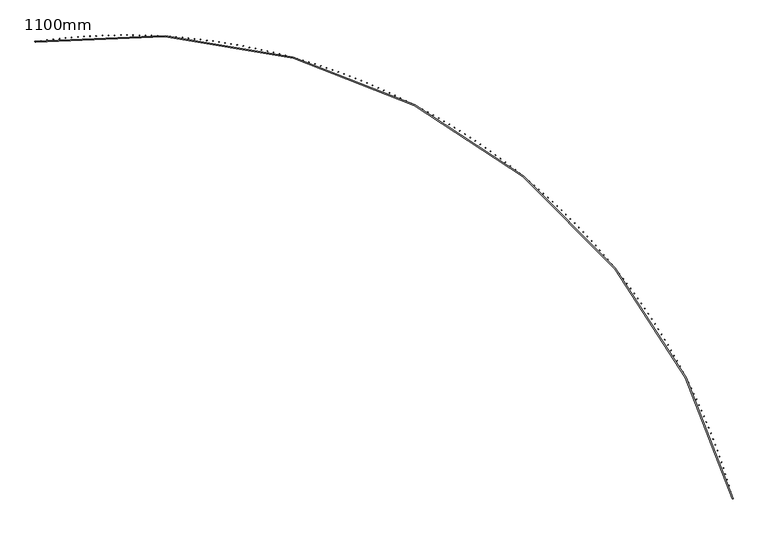
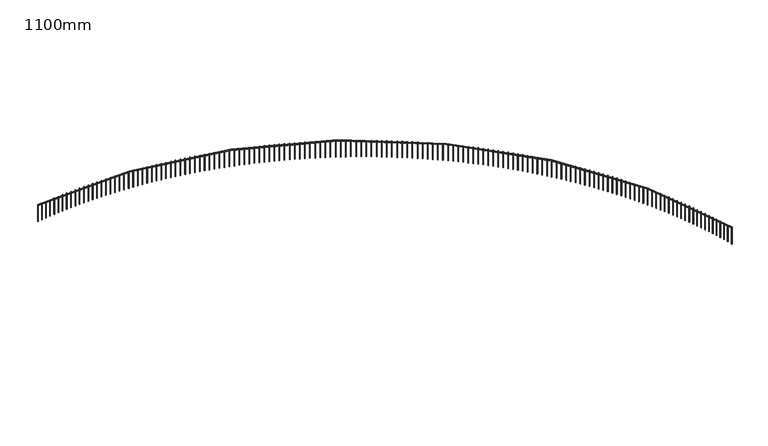
"""IFC4 building model written with IfcOpenShell, lengths in millimetres: railing geometry, 1100mm."""

from ifc_helpers import new_model, si_unit, point, frame, frame_2d, origin, place, context, project, spatial, polyline, circle_curve, trimmed, segment, composite_curve, outline, extrude, source, transform, mapped, element, save


def railing_1100mm_7d247d45(model_context):
    return source(origin(), model_context, "Body", "SweptSolid", [
        extrude(outline(composite_curve([segment(trimmed(circle_curve(frame_2d((-8794.2031957, -54023.2815566)), 28027.8933111), [point((18263.3200525, -46712.1093436))], [point((-12873.1716323, -26293.787873))], True, "CARTESIAN"), True, "CONTINUOUS"), segment(polyline([(-12873.1716323, -26293.787873), (-12880.4482557, -26244.3201992)]), True, "CONTINUOUS"), segment(trimmed(circle_curve(frame_2d((-8794.2031957, -54023.2815566)), 28077.8933111), [point((-12880.4482557, -26244.3201992))], [point((18311.5889733, -46699.0666719))], False, "CARTESIAN"), True, "CONTINUOUS"), segment(polyline([(18311.5889733, -46699.0666719), (18263.3200525, -46712.1093436)]), True, "CONTINUOUS")], self_intersect=False)), frame((0.0, 0.0, 19650.0), z_axis=(0.0, 0.0, 1.0), x_axis=(1.0, 0.0, 0.0)), (0.0, 0.0, 1.0), 50.0),
        extrude(outline(polyline([(18256.6030696, -46639.6717561), (18280.7237123, -46633.0994967), (18287.2959717, -46657.2201395), (18263.1753289, -46663.7923988), (18256.6030696, -46639.6717561)])), frame((0.0, 0.0, 18600.0), z_axis=(0.0, 0.0, 1.0), x_axis=(1.0, 0.0, 0.0)), (0.0, 0.0, 1.0), 1050.0),
        extrude(outline(polyline([(18182.9236225, -46374.8541414), (18206.97868, -46368.0457491), (18213.7870723, -46392.1008067), (18189.7320147, -46398.909199), (18182.9236225, -46374.8541414)])), frame((0.0, 0.0, 18600.0), z_axis=(0.0, 0.0, 1.0), x_axis=(1.0, 0.0, 0.0)), (0.0, 0.0, 1.0), 1050.0),
        extrude(outline(polyline([(18106.6517737, -46110.7715122), (18130.6389345, -46103.7276413), (18137.6828054, -46127.7148021), (18113.6956447, -46134.758673), (18106.6517737, -46110.7715122)])), frame((0.0, 0.0, 18600.0), z_axis=(0.0, 0.0, 1.0), x_axis=(1.0, 0.0, 0.0)), (0.0, 0.0, 1.0), 1050.0),
        extrude(outline(polyline([(18027.7948528, -45847.4492458), (18051.7118117, -45840.1705731), (18058.9904844, -45864.087532), (18035.0735255, -45871.3662047), (18027.7948528, -45847.4492458)])), frame((0.0, 0.0, 18600.0), z_axis=(0.0, 0.0, 1.0), x_axis=(1.0, 0.0, 0.0)), (0.0, 0.0, 1.0), 1050.0),
        extrude(outline(polyline([(17946.3604376, -45584.9126465), (17970.2048963, -45577.3998715), (17977.7176713, -45601.2443302), (17953.8732126, -45608.7571052), (17946.3604376, -45584.9126465)])), frame((0.0, 0.0, 18600.0), z_axis=(0.0, 0.0, 1.0), x_axis=(1.0, 0.0, 0.0)), (0.0, 0.0, 1.0), 1050.0),
        extrude(outline(polyline([(17862.3563536, -45323.1869431), (17886.1260207, -45315.4407877), (17893.8721762, -45339.2104549), (17870.102509, -45346.9566103), (17862.3563536, -45323.1869431)])), frame((0.0, 0.0, 18600.0), z_axis=(0.0, 0.0, 1.0), x_axis=(1.0, 0.0, 0.0)), (0.0, 0.0, 1.0), 1050.0),
        extrude(outline(polyline([(17775.7906733, -45062.2972865), (17799.4832647, -45054.3184951), (17807.4620561, -45078.0110865), (17783.7694647, -45085.9898779), (17775.7906733, -45062.2972865)])), frame((0.0, 0.0, 18600.0), z_axis=(0.0, 0.0, 1.0), x_axis=(1.0, 0.0, 0.0)), (0.0, 0.0, 1.0), 1050.0),
        extrude(outline(polyline([(17686.6717154, -44802.2687471), (17710.2849543, -44794.0580864), (17718.4956149, -44817.6713253), (17694.882376, -44825.881986), (17686.6717154, -44802.2687471)])), frame((0.0, 0.0, 18600.0), z_axis=(0.0, 0.0, 1.0), x_axis=(1.0, 0.0, 0.0)), (0.0, 0.0, 1.0), 1050.0),
        extrude(outline(polyline([(17595.0080438, -44543.1263128), (17618.539661, -44534.6845719), (17626.9814019, -44558.2161891), (17603.4497847, -44566.65793), (17595.0080438, -44543.1263128)])), frame((0.0, 0.0, 18600.0), z_axis=(0.0, 0.0, 1.0), x_axis=(1.0, 0.0, 0.0)), (0.0, 0.0, 1.0), 1050.0),
        extrude(outline(polyline([(17500.8084671, -44284.8948862), (17524.2562014, -44276.2228762), (17532.9282113, -44299.6706105), (17509.480477, -44308.3426205), (17500.8084671, -44284.8948862)])), frame((0.0, 0.0, 18600.0), z_axis=(0.0, 0.0, 1.0), x_axis=(1.0, 0.0, 0.0)), (0.0, 0.0, 1.0), 1050.0),
        extrude(outline(polyline([(17404.0820375, -44027.5992823), (17427.4436356, -44018.6978367), (17436.3450812, -44042.0594347), (17412.9834831, -44050.9608804), (17404.0820375, -44027.5992823)])), frame((0.0, 0.0, 18600.0), z_axis=(0.0, 0.0, 1.0), x_axis=(1.0, 0.0, 0.0)), (0.0, 0.0, 1.0), 1050.0),
        extrude(outline(polyline([(17304.8380501, -43771.2642263), (17328.111267, -43762.1342004), (17337.2412929, -43785.4074173), (17313.968076, -43794.5374433), (17304.8380501, -43771.2642263)])), frame((0.0, 0.0, 18600.0), z_axis=(0.0, 0.0, 1.0), x_axis=(1.0, 0.0, 0.0)), (0.0, 0.0, 1.0), 1050.0),
        extrude(outline(polyline([(17203.0860418, -43515.9143511), (17226.2686411, -43506.5566223), (17235.62637, -43529.7392216), (17212.4437706, -43539.0969505), (17203.0860418, -43515.9143511)])), frame((0.0, 0.0, 18600.0), z_axis=(0.0, 0.0, 1.0), x_axis=(1.0, 0.0, 0.0)), (0.0, 0.0, 1.0), 1050.0),
        extrude(outline(polyline([(17098.8357907, -43261.5741949), (17121.9255446, -43251.9896623), (17131.5100771, -43275.0794163), (17108.4203232, -43284.6639488), (17098.8357907, -43261.5741949)])), frame((0.0, 0.0, 18600.0), z_axis=(0.0, 0.0, 1.0), x_axis=(1.0, 0.0, 0.0)), (0.0, 0.0, 1.0), 1050.0),
        extrude(outline(polyline([(16992.0973147, -43008.2681987), (17015.0920044, -42998.4577835), (17024.9024196, -43021.4524732), (17001.9077299, -43031.2628884), (16992.0973147, -43008.2681987)])), frame((0.0, 0.0, 18600.0), z_axis=(0.0, 0.0, 1.0), x_axis=(1.0, 0.0, 0.0)), (0.0, 0.0, 1.0), 1050.0),
        extrude(outline(polyline([(16882.8808711, -42756.0207043), (16905.7782869, -42745.9853493), (16915.813642, -42768.882765), (16892.9162262, -42778.9181201), (16882.8808711, -42756.0207043)])), frame((0.0, 0.0, 18600.0), z_axis=(0.0, 0.0, 1.0), x_axis=(1.0, 0.0, 0.0)), (0.0, 0.0, 1.0), 1050.0),
        extrude(outline(polyline([(16771.1969552, -42504.8559519), (16793.9948967, -42494.5966213), (16804.2542273, -42517.3945627), (16781.4562858, -42527.6538934), (16771.1969552, -42504.8559519)])), frame((0.0, 0.0, 18600.0), z_axis=(0.0, 0.0, 1.0), x_axis=(1.0, 0.0, 0.0)), (0.0, 0.0, 1.0), 1050.0),
        extrude(outline(polyline([(16657.0562994, -42254.7980773), (16679.7525758, -42244.315757), (16690.234896, -42267.0120334), (16667.5386197, -42277.4943537), (16657.0562994, -42254.7980773)])), frame((0.0, 0.0, 18600.0), z_axis=(0.0, 0.0, 1.0), x_axis=(1.0, 0.0, 0.0)), (0.0, 0.0, 1.0), 1050.0),
        extrude(outline(polyline([(16540.4698721, -42005.8711103), (16563.0623024, -41995.1668076), (16573.766605, -42017.7592379), (16551.1741747, -42028.4635405), (16540.4698721, -42005.8711103)])), frame((0.0, 0.0, 18600.0), z_axis=(0.0, 0.0, 1.0), x_axis=(1.0, 0.0, 0.0)), (0.0, 0.0, 1.0), 1050.0),
        extrude(outline(polyline([(16421.4488769, -41758.0989717), (16443.93529, -41747.1737154), (16454.8605463, -41769.6601285), (16432.3741332, -41780.5853848), (16421.4488769, -41758.0989717)])), frame((0.0, 0.0, 18600.0), z_axis=(0.0, 0.0, 1.0), x_axis=(1.0, 0.0, 0.0)), (0.0, 0.0, 1.0), 1050.0),
        extrude(outline(polyline([(16300.0047513, -41511.5054716), (16322.3829864, -41500.3603114), (16333.5281465, -41522.7385465), (16311.1499114, -41533.8837067), (16300.0047513, -41511.5054716)])), frame((0.0, 0.0, 18600.0), z_axis=(0.0, 0.0, 1.0), x_axis=(1.0, 0.0, 0.0)), (0.0, 0.0, 1.0), 1050.0),
        extrude(outline(polyline([(16176.1491655, -41266.1143066), (16198.4170721, -41254.7503137), (16209.7810651, -41277.0182203), (16187.5131585, -41288.3822132), (16176.1491655, -41266.1143066)])), frame((0.0, 0.0, 18600.0), z_axis=(0.0, 0.0, 1.0), x_axis=(1.0, 0.0, 0.0)), (0.0, 0.0, 1.0), 1050.0),
        extrude(outline(polyline([(16049.8940217, -41021.949058), (16072.04946, -41010.3673243), (16083.6311937, -41032.5227625), (16061.4757555, -41044.1044963), (16049.8940217, -41021.949058)])), frame((0.0, 0.0, 18600.0), z_axis=(0.0, 0.0, 1.0), x_axis=(1.0, 0.0, 0.0)), (0.0, 0.0, 1.0), 1050.0),
        extrude(outline(polyline([(15921.2514526, -40779.0331892), (15943.2922934, -40767.2348276), (15955.090655, -40789.2756684), (15933.0498141, -40801.07403), (15921.2514526, -40779.0331892)])), frame((0.0, 0.0, 18600.0), z_axis=(0.0, 0.0, 1.0), x_axis=(1.0, 0.0, 0.0)), (0.0, 0.0, 1.0), 1050.0),
        extrude(outline(polyline([(15790.23382, -40537.3900434), (15812.1579454, -40525.3761878), (15824.171801, -40547.3003131), (15802.2476756, -40559.3141687), (15790.23382, -40537.3900434)])), frame((0.0, 0.0, 18600.0), z_axis=(0.0, 0.0, 1.0), x_axis=(1.0, 0.0, 0.0)), (0.0, 0.0, 1.0), 1050.0),
        extrude(outline(polyline([(15656.8537145, -40297.0428416), (15678.6590176, -40284.8146464), (15690.8872128, -40306.6199495), (15669.0819097, -40318.8481447), (15656.8537145, -40297.0428416)])), frame((0.0, 0.0, 18600.0), z_axis=(0.0, 0.0, 1.0), x_axis=(1.0, 0.0, 0.0)), (0.0, 0.0, 1.0), 1050.0),
        extrude(outline(polyline([(15521.1239533, -40058.0146803), (15542.8083387, -40045.5733207), (15555.2496983, -40067.2577061), (15533.5653129, -40079.6990658), (15521.1239533, -40058.0146803)])), frame((0.0, 0.0, 18600.0), z_axis=(0.0, 0.0, 1.0), x_axis=(1.0, 0.0, 0.0)), (0.0, 0.0, 1.0), 1050.0),
        extrude(outline(polyline([(15383.0575795, -39820.3285293), (15404.6189635, -39807.6752008), (15417.272292, -39829.2365847), (15395.710908, -39841.8899133), (15383.0575795, -39820.3285293)])), frame((0.0, 0.0, 18600.0), z_axis=(0.0, 0.0, 1.0), x_axis=(1.0, 0.0, 0.0)), (0.0, 0.0, 1.0), 1050.0),
        extrude(outline(polyline([(15242.6678609, -39584.0072293), (15264.1041713, -39571.1431478), (15276.9682528, -39592.5794583), (15255.5319423, -39605.4435398), (15242.6678609, -39584.0072293)])), frame((0.0, 0.0, 18600.0), z_axis=(0.0, 0.0, 1.0), x_axis=(1.0, 0.0, 0.0)), (0.0, 0.0, 1.0), 1050.0),
        extrude(outline(polyline([(15099.9682882, -39349.0734899), (15121.2774653, -39335.9998916), (15134.3510636, -39357.3090687), (15113.0418865, -39370.382667), (15099.9682882, -39349.0734899)])), frame((0.0, 0.0, 18600.0), z_axis=(0.0, 0.0, 1.0), x_axis=(1.0, 0.0, 0.0)), (0.0, 0.0, 1.0), 1050.0),
        extrude(outline(polyline([(14954.9725745, -39115.5498873), (14976.1525705, -39102.2680286), (14989.4344292, -39123.4480246), (14968.2544332, -39136.7298833), (14954.9725745, -39115.5498873)])), frame((0.0, 0.0, 18600.0), z_axis=(0.0, 0.0, 1.0), x_axis=(1.0, 0.0, 0.0)), (0.0, 0.0, 1.0), 1050.0),
        extrude(outline(polyline([(14807.6946533, -38883.4588623), (14828.7434328, -38869.9700195), (14842.2322756, -38891.0187991), (14821.1834961, -38904.5076419), (14807.6946533, -38883.4588623)])), frame((0.0, 0.0, 18600.0), z_axis=(0.0, 0.0, 1.0), x_axis=(1.0, 0.0, 0.0)), (0.0, 0.0, 1.0), 1050.0),
        extrude(outline(polyline([(14658.1486774, -38652.8227181), (14679.0642178, -38639.1281874), (14692.7587485, -38660.0437277), (14671.8432081, -38673.7382584), (14658.1486774, -38652.8227181)])), frame((0.0, 0.0, 18600.0), z_axis=(0.0, 0.0, 1.0), x_axis=(1.0, 0.0, 0.0)), (0.0, 0.0, 1.0), 1050.0),
        extrude(outline(polyline([(14506.3490177, -38423.6636177), (14527.129309, -38409.7647152), (14541.0282116, -38430.5450065), (14520.2479203, -38444.443909), (14506.3490177, -38423.6636177)])), frame((0.0, 0.0, 18600.0), z_axis=(0.0, 0.0, 1.0), x_axis=(1.0, 0.0, 0.0)), (0.0, 0.0, 1.0), 1050.0),
        extrude(outline(polyline([(14352.3102615, -38196.0035827), (14372.9533069, -38181.9016439), (14387.0552457, -38202.5446892), (14366.4122004, -38216.6466281), (14352.3102615, -38196.0035827)])), frame((0.0, 0.0, 18600.0), z_axis=(0.0, 0.0, 1.0), x_axis=(1.0, 0.0, 0.0)), (0.0, 0.0, 1.0), 1050.0),
        extrude(outline(polyline([(14196.0472114, -37969.8644903), (14216.5510271, -37955.5608703), (14230.854647, -37976.064686), (14210.3508314, -37990.3683059), (14196.0472114, -37969.8644903)])), frame((0.0, 0.0, 18600.0), z_axis=(0.0, 0.0, 1.0), x_axis=(1.0, 0.0, 0.0)), (0.0, 0.0, 1.0), 1050.0),
        extrude(outline(polyline([(14037.5748837, -37745.2680715), (14057.9374994, -37730.764145), (14072.4414259, -37751.1267606), (14052.0788103, -37765.6306872), (14037.5748837, -37745.2680715)])), frame((0.0, 0.0, 18600.0), z_axis=(0.0, 0.0, 1.0), x_axis=(1.0, 0.0, 0.0)), (0.0, 0.0, 1.0), 1050.0),
        extrude(outline(polyline([(13876.908507, -37522.2359094), (13897.1279659, -37507.5330701), (13911.8308052, -37527.7525289), (13891.6113464, -37542.4553682), (13876.908507, -37522.2359094)])), frame((0.0, 0.0, 18600.0), z_axis=(0.0, 0.0, 1.0), x_axis=(1.0, 0.0, 0.0)), (0.0, 0.0, 1.0), 1050.0),
        extrude(outline(polyline([(13714.0635208, -37300.7894364), (13734.1378798, -37285.8890972), (13749.038219, -37305.9634562), (13728.96386, -37320.8637954), (13714.0635208, -37300.7894364)])), frame((0.0, 0.0, 18600.0), z_axis=(0.0, 0.0, 1.0), x_axis=(1.0, 0.0, 0.0)), (0.0, 0.0, 1.0), 1050.0),
        extrude(outline(polyline([(13549.0555737, -37080.9499328), (13568.9829038, -37065.8535255), (13584.0793112, -37085.7808556), (13564.151981, -37100.8772629), (13549.0555737, -37080.9499328)])), frame((0.0, 0.0, 18600.0), z_axis=(0.0, 0.0, 1.0), x_axis=(1.0, 0.0, 0.0)), (0.0, 0.0, 1.0), 1050.0),
        extrude(outline(polyline([(13381.9005225, -36862.7385242), (13401.6789088, -36847.4474996), (13416.9699335, -36867.2258859), (13397.1915472, -36882.5169105), (13381.9005225, -36862.7385242)])), frame((0.0, 0.0, 18600.0), z_axis=(0.0, 0.0, 1.0), x_axis=(1.0, 0.0, 0.0)), (0.0, 0.0, 1.0), 1050.0),
        extrude(outline(polyline([(13212.6144302, -36646.1761801), (13232.2419721, -36630.6920075), (13247.7261447, -36650.3195493), (13228.0986029, -36665.8037219), (13212.6144302, -36646.1761801)])), frame((0.0, 0.0, 18600.0), z_axis=(0.0, 0.0, 1.0), x_axis=(1.0, 0.0, 0.0)), (0.0, 0.0, 1.0), 1050.0),
        extrude(outline(polyline([(13041.2135646, -36431.2837112), (13060.6883758, -36415.6078786), (13076.3642084, -36435.0826898), (13056.8893971, -36450.7585224), (13041.2135646, -36431.2837112)])), frame((0.0, 0.0, 18600.0), z_axis=(0.0, 0.0, 1.0), x_axis=(1.0, 0.0, 0.0)), (0.0, 0.0, 1.0), 1050.0),
        extrude(outline(polyline([(12867.7143965, -36218.0817679), (12887.0346057, -36202.2157817), (12902.9005918, -36221.5359909), (12883.5803827, -36237.4019771), (12867.7143965, -36218.0817679)])), frame((0.0, 0.0, 18600.0), z_axis=(0.0, 0.0, 1.0), x_axis=(1.0, 0.0, 0.0)), (0.0, 0.0, 1.0), 1050.0),
        extrude(outline(polyline([(12692.1335987, -36006.5908381), (12711.2973492, -35990.536223), (12727.3519643, -36009.6999735), (12708.1882137, -36025.7545886), (12692.1335987, -36006.5908381)])), frame((0.0, 0.0, 18600.0), z_axis=(0.0, 0.0, 1.0), x_axis=(1.0, 0.0, 0.0)), (0.0, 0.0, 1.0), 1050.0),
        extrude(outline(polyline([(12514.4880437, -35796.8312453), (12533.4934941, -35780.5895441), (12549.7351953, -35799.5949944), (12530.7297449, -35815.8366956), (12514.4880437, -35796.8312453)])), frame((0.0, 0.0, 18600.0), z_axis=(0.0, 0.0, 1.0), x_axis=(1.0, 0.0, 0.0)), (0.0, 0.0, 1.0), 1050.0),
        extrude(outline(polyline([(12334.7948028, -35588.8231466), (12353.6401265, -35572.3959201), (12370.0673531, -35591.2412438), (12351.2220293, -35607.6684704), (12334.7948028, -35588.8231466)])), frame((0.0, 0.0, 18600.0), z_axis=(0.0, 0.0, 1.0), x_axis=(1.0, 0.0, 0.0)), (0.0, 0.0, 1.0), 1050.0),
        extrude(outline(polyline([(12153.0711436, -35382.5865309), (12171.7545299, -35365.9753576), (12188.3657032, -35384.6587438), (12169.682317, -35401.2699171), (12153.0711436, -35382.5865309)])), frame((0.0, 0.0, 18600.0), z_axis=(0.0, 0.0, 1.0), x_axis=(1.0, 0.0, 0.0)), (0.0, 0.0, 1.0), 1050.0),
        extrude(outline(polyline([(11969.3345293, -35178.1412167), (11987.8541826, -35161.3476929), (12004.6477064, -35179.8673462), (11986.1280531, -35196.66087), (11969.3345293, -35178.1412167)])), frame((0.0, 0.0, 18600.0), z_axis=(0.0, 0.0, 1.0), x_axis=(1.0, 0.0, 0.0)), (0.0, 0.0, 1.0), 1050.0),
        extrude(outline(polyline([(11783.6026162, -34975.5068504), (11801.9567569, -34958.5325899), (11818.9310174, -34976.8867306), (11800.5768767, -34993.8609911), (11783.6026162, -34975.5068504)])), frame((0.0, 0.0, 18600.0), z_axis=(0.0, 0.0, 1.0), x_axis=(1.0, 0.0, 0.0)), (0.0, 0.0, 1.0), 1050.0),
        extrude(outline(polyline([(11595.8932524, -34774.7029045), (11614.0801167, -34757.5495385), (11631.2334827, -34775.7364028), (11613.0466184, -34792.8897688), (11595.8932524, -34774.7029045)])), frame((0.0, 0.0, 18600.0), z_axis=(0.0, 0.0, 1.0), x_axis=(1.0, 0.0, 0.0)), (0.0, 0.0, 1.0), 1050.0),
        extrude(outline(polyline([(11406.2244761, -34575.7486755), (11424.2423164, -34558.4178522), (11441.5731396, -34576.4356925), (11423.5552993, -34593.7665157), (11406.2244761, -34575.7486755)])), frame((0.0, 0.0, 18600.0), z_axis=(0.0, 0.0, 1.0), x_axis=(1.0, 0.0, 0.0)), (0.0, 0.0, 1.0), 1050.0),
        extrude(outline(polyline([(11214.6145138, -34378.663282), (11232.4615986, -34361.1566671), (11249.9682135, -34379.0037518), (11232.1211288, -34396.5103667), (11214.6145138, -34378.663282)])), frame((0.0, 0.0, 18600.0), z_axis=(0.0, 0.0, 1.0), x_axis=(1.0, 0.0, 0.0)), (0.0, 0.0, 1.0), 1050.0),
        extrude(outline(polyline([(11021.0817786, -34183.4656634), (11038.7563927, -34165.784939), (11056.4371171, -34183.4595532), (11038.7625029, -34201.1402776), (11021.0817786, -34183.4656634)])), frame((0.0, 0.0, 18600.0), z_axis=(0.0, 0.0, 1.0), x_axis=(1.0, 0.0, 0.0)), (0.0, 0.0, 1.0), 1050.0),
        extrude(outline(polyline([(10825.644868, -33990.1745773), (10843.1453132, -33972.3214426), (10860.9984479, -33989.8218878), (10843.4980027, -34007.6750225), (10825.644868, -33990.1745773)])), frame((0.0, 0.0, 18600.0), z_axis=(0.0, 0.0, 1.0), x_axis=(1.0, 0.0, 0.0)), (0.0, 0.0, 1.0), 1050.0),
        extrude(outline(polyline([(10628.322563, -33798.8085983), (10645.6471575, -33780.7847689), (10663.6709869, -33798.1093633), (10646.3463925, -33816.1331928), (10628.322563, -33798.8085983)])), frame((0.0, 0.0, 18600.0), z_axis=(0.0, 0.0, 1.0), x_axis=(1.0, 0.0, 0.0)), (0.0, 0.0, 1.0), 1050.0),
        extrude(outline(polyline([(10429.1338255, -33609.3861161), (10446.2809044, -33591.1933239), (10464.4736965, -33608.3404028), (10447.3266177, -33626.5331949), (10429.1338255, -33609.3861161)])), frame((0.0, 0.0, 18600.0), z_axis=(0.0, 0.0, 1.0), x_axis=(1.0, 0.0, 0.0)), (0.0, 0.0, 1.0), 1050.0),
        extrude(outline(polyline([(10228.0977967, -33421.9253333), (10245.0657123, -33403.5653266), (10263.4257189, -33420.5332422), (10246.4578034, -33438.8932488), (10228.0977967, -33421.9253333)])), frame((0.0, 0.0, 18600.0), z_axis=(0.0, 0.0, 1.0), x_axis=(1.0, 0.0, 0.0)), (0.0, 0.0, 1.0), 1050.0),
        extrude(outline(polyline([(10025.2337956, -33236.4442642), (10042.0209172, -33217.9188075), (10060.5463739, -33234.7059291), (10043.7592523, -33253.2313858), (10025.2337956, -33236.4442642)])), frame((0.0, 0.0, 18600.0), z_axis=(0.0, 0.0, 1.0), x_axis=(1.0, 0.0, 0.0)), (0.0, 0.0, 1.0), 1050.0),
        extrude(outline(polyline([(9820.5613164, -33052.960733), (9837.166031, -33034.2716063), (9855.8551576, -33050.8763209), (9839.2504431, -33069.5654475), (9820.5613164, -33052.960733)])), frame((0.0, 0.0, 18600.0), z_axis=(0.0, 0.0, 1.0), x_axis=(1.0, 0.0, 0.0)), (0.0, 0.0, 1.0), 1050.0),
        extrude(outline(polyline([(9614.1000276, -32871.4923716), (9630.5207394, -32852.641371), (9649.37174, -32869.0620829), (9632.9510282, -32887.9130834), (9614.1000276, -32871.4923716)])), frame((0.0, 0.0, 18600.0), z_axis=(0.0, 0.0, 1.0), x_axis=(1.0, 0.0, 0.0)), (0.0, 0.0, 1.0), 1050.0),
        extrude(outline(polyline([(9405.8697693, -32692.0566186), (9422.1049004, -32673.0455556), (9441.1159634, -32689.2806867), (9424.8808323, -32708.2917497), (9405.8697693, -32692.0566186)])), frame((0.0, 0.0, 18600.0), z_axis=(0.0, 0.0, 1.0), x_axis=(1.0, 0.0, 0.0)), (0.0, 0.0, 1.0), 1050.0),
        extrude(outline(polyline([(9195.8905516, -32514.670717), (9211.9385419, -32495.5014184), (9231.1078405, -32511.5494087), (9215.0598502, -32530.7187073), (9195.8905516, -32514.670717)])), frame((0.0, 0.0, 18600.0), z_axis=(0.0, 0.0, 1.0), x_axis=(1.0, 0.0, 0.0)), (0.0, 0.0, 1.0), 1050.0),
        extrude(outline(polyline([(8984.1825528, -32339.3517129), (9000.0418601, -32320.0260209), (9019.3675521, -32335.8853282), (9003.5082448, -32355.2110202), (8984.1825528, -32339.3517129)])), frame((0.0, 0.0, 18600.0), z_axis=(0.0, 0.0, 1.0), x_axis=(1.0, 0.0, 0.0)), (0.0, 0.0, 1.0), 1050.0),
        extrude(outline(polyline([(8770.7661172, -32166.1164539), (8786.4352175, -32146.6362256), (8805.9154458, -32162.3053259), (8790.2463455, -32181.7855542), (8770.7661172, -32166.1164539)])), frame((0.0, 0.0, 18600.0), z_axis=(0.0, 0.0, 1.0), x_axis=(1.0, 0.0, 0.0)), (0.0, 0.0, 1.0), 1050.0),
        extrude(outline(polyline([(8555.6617533, -31994.9815872), (8571.1391408, -31975.3486946), (8590.7720335, -31990.8260822), (8575.2946459, -32010.4589748), (8555.6617533, -31994.9815872)])), frame((0.0, 0.0, 18600.0), z_axis=(0.0, 0.0, 1.0), x_axis=(1.0, 0.0, 0.0)), (0.0, 0.0, 1.0), 1050.0),
        extrude(outline(polyline([(8338.8901319, -31825.9635583), (8354.1743194, -31806.179888), (8373.9579897, -31821.4640755), (8358.6738022, -31841.2477458), (8338.8901319, -31825.9635583)])), frame((0.0, 0.0, 18600.0), z_axis=(0.0, 0.0, 1.0), x_axis=(1.0, 0.0, 0.0)), (0.0, 0.0, 1.0), 1050.0),
        extrude(outline(polyline([(8120.4720839, -31659.0786091), (8135.5616026, -31639.1460622), (8155.4941494, -31654.2355809), (8140.4046308, -31674.1681278), (8120.4720839, -31659.0786091)])), frame((0.0, 0.0, 18600.0), z_axis=(0.0, 0.0, 1.0), x_axis=(1.0, 0.0, 0.0)), (0.0, 0.0, 1.0), 1050.0),
        extrude(outline(polyline([(7900.4285984, -31494.3427768), (7915.3219983, -31474.2632687), (7935.4015063, -31489.1566686), (7920.5081064, -31509.2361766), (7900.4285984, -31494.3427768)])), frame((0.0, 0.0, 18600.0), z_axis=(0.0, 0.0, 1.0), x_axis=(1.0, 0.0, 0.0)), (0.0, 0.0, 1.0), 1050.0),
        extrude(outline(polyline([(7678.780821, -31331.7718916), (7693.4766707, -31311.5473521), (7713.7012103, -31326.2432018), (7699.0053605, -31346.4677414), (7678.780821, -31331.7718916)])), frame((0.0, 0.0, 18600.0), z_axis=(0.0, 0.0, 1.0), x_axis=(1.0, 0.0, 0.0)), (0.0, 0.0, 1.0), 1050.0),
        extrude(outline(polyline([(7455.5500509, -31171.3815763), (7470.0469384, -31151.0139487), (7490.414566, -31165.5108361), (7475.9176785, -31185.8784637), (7455.5500509, -31171.3815763)])), frame((0.0, 0.0, 18600.0), z_axis=(0.0, 0.0, 1.0), x_axis=(1.0, 0.0, 0.0)), (0.0, 0.0, 1.0), 1050.0),
        extrude(outline(polyline([(7230.75774, -31013.1872435), (7245.0542721, -30992.6784852), (7265.5630305, -31006.9750172), (7251.2664984, -31027.4837756), (7230.75774, -31013.1872435)])), frame((0.0, 0.0, 18600.0), z_axis=(0.0, 0.0, 1.0), x_axis=(1.0, 0.0, 0.0)), (0.0, 0.0, 1.0), 1050.0),
        extrude(outline(polyline([(7004.4254899, -30857.2040953), (7018.5202928, -30836.556177), (7039.1682112, -30850.6509799), (7025.0734083, -30871.2988982), (7004.4254899, -30857.2040953)])), frame((0.0, 0.0, 18600.0), z_axis=(0.0, 0.0, 1.0), x_axis=(1.0, 0.0, 0.0)), (0.0, 0.0, 1.0), 1050.0),
        extrude(outline(polyline([(6776.5750504, -30703.4471211), (6790.4667695, -30682.6620269), (6811.2518637, -30696.5537461), (6797.3601445, -30717.3388403), (6776.5750504, -30703.4471211)])), frame((0.0, 0.0, 18600.0), z_axis=(0.0, 0.0, 1.0), x_axis=(1.0, 0.0, 0.0)), (0.0, 0.0, 1.0), 1050.0),
        extrude(outline(polyline([(6547.2283169, -30551.9310962), (6560.9156174, -30531.0108237), (6581.83589, -30544.6981243), (6568.1485894, -30565.6183968), (6547.2283169, -30551.9310962)])), frame((0.0, 0.0, 18600.0), z_axis=(0.0, 0.0, 1.0), x_axis=(1.0, 0.0, 0.0)), (0.0, 0.0, 1.0), 1050.0),
        extrude(outline(polyline([(6316.4073288, -30402.6705809), (6329.8888955, -30381.6171403), (6350.9423361, -30395.098707), (6337.4607694, -30416.1521476), (6316.4073288, -30402.6705809)])), frame((0.0, 0.0, 18600.0), z_axis=(0.0, 0.0, 1.0), x_axis=(1.0, 0.0, 0.0)), (0.0, 0.0, 1.0), 1050.0),
        extrude(outline(polyline([(6084.1342673, -30255.6799185), (6097.4088045, -30234.495333), (6118.59339, -30247.7698702), (6105.3188528, -30268.9544557), (6084.1342673, -30255.6799185)])), frame((0.0, 0.0, 18600.0), z_axis=(0.0, 0.0, 1.0), x_axis=(1.0, 0.0, 0.0)), (0.0, 0.0, 1.0), 1050.0),
        extrude(outline(polyline([(5850.4314528, -30110.9732343), (5863.4976849, -30089.6595397), (5884.8113795, -30102.7257718), (5871.7451474, -30124.0394664), (5850.4314528, -30110.9732343)])), frame((0.0, 0.0, 18600.0), z_axis=(0.0, 0.0, 1.0), x_axis=(1.0, 0.0, 0.0)), (0.0, 0.0, 1.0), 1050.0),
        extrude(outline(polyline([(5615.3213434, -29968.564434), (5628.1780148, -29947.1236785), (5649.6187704, -29959.9803499), (5636.762099, -29981.4211055), (5615.3213434, -29968.564434)])), frame((0.0, 0.0, 18600.0), z_axis=(0.0, 0.0, 1.0), x_axis=(1.0, 0.0, 0.0)), (0.0, 0.0, 1.0), 1050.0),
        extrude(outline(polyline([(5378.8265322, -29828.4672027), (5391.4724074, -29806.9014465), (5413.0381636, -29819.5473217), (5400.3922884, -29841.1130779), (5378.8265322, -29828.4672027)])), frame((0.0, 0.0, 18600.0), z_axis=(0.0, 0.0, 1.0), x_axis=(1.0, 0.0, 0.0)), (0.0, 0.0, 1.0), 1050.0),
        extrude(outline(polyline([(5140.9697455, -29690.695003), (5153.4036094, -29669.0063187), (5175.0922937, -29681.4401825), (5162.6584299, -29703.1288669), (5140.9697455, -29690.695003)])), frame((0.0, 0.0, 18600.0), z_axis=(0.0, 0.0, 1.0), x_axis=(1.0, 0.0, 0.0)), (0.0, 0.0, 1.0), 1050.0),
        extrude(outline(polyline([(4901.7738405, -29555.2610745), (4913.9944981, -29533.4515462), (4935.8040265, -29545.6722037), (4923.5833689, -29567.4817321), (4901.7738405, -29555.2610745)])), frame((0.0, 0.0, 18600.0), z_axis=(0.0, 0.0, 1.0), x_axis=(1.0, 0.0, 0.0)), (0.0, 0.0, 1.0), 1050.0),
        extrude(outline(polyline([(4661.2618031, -29422.1784318), (4673.2680801, -29400.2501553), (4695.1963566, -29412.2564322), (4683.1900797, -29434.1847088), (4661.2618031, -29422.1784318)])), frame((0.0, 0.0, 18600.0), z_axis=(0.0, 0.0, 1.0), x_axis=(1.0, 0.0, 0.0)), (0.0, 0.0, 1.0), 1050.0),
        extrude(outline(polyline([(4419.4567454, -29291.4598637), (4431.247488, -29269.4149462), (4453.2924056, -29281.2056888), (4441.501663, -29303.2506063), (4419.4567454, -29291.4598637)])), frame((0.0, 0.0, 18600.0), z_axis=(0.0, 0.0, 1.0), x_axis=(1.0, 0.0, 0.0)), (0.0, 0.0, 1.0), 1050.0),
        extrude(outline(polyline([(4176.3819042, -29163.1179317), (4187.9559794, -29140.9584917), (4210.1154194, -29152.5325669), (4198.5413443, -29174.6920069), (4176.3819042, -29163.1179317)])), frame((0.0, 0.0, 18600.0), z_axis=(0.0, 0.0, 1.0), x_axis=(1.0, 0.0, 0.0)), (0.0, 0.0, 1.0), 1050.0),
        extrude(outline(polyline([(3932.0606379, -29037.1649691), (3943.4169335, -29014.8931359), (3965.6887666, -29026.2494315), (3954.3324711, -29048.5212646), (3932.0606379, -29037.1649691)])), frame((0.0, 0.0, 18600.0), z_axis=(0.0, 0.0, 1.0), x_axis=(1.0, 0.0, 0.0)), (0.0, 0.0, 1.0), 1050.0),
        extrude(outline(polyline([(3686.516425, -28913.6130794), (3697.6538496, -28891.2309934), (3720.0359356, -28902.368418), (3708.898511, -28924.750504), (3686.516425, -28913.6130794)])), frame((0.0, 0.0, 18600.0), z_axis=(0.0, 0.0, 1.0), x_axis=(1.0, 0.0, 0.0)), (0.0, 0.0, 1.0), 1050.0),
        extrude(outline(polyline([(3439.7728613, -28792.4741354), (3450.6903448, -28769.9839474), (3473.1805327, -28780.9014309), (3462.2630493, -28803.3916188), (3439.7728613, -28792.4741354)])), frame((0.0, 0.0, 18600.0), z_axis=(0.0, 0.0, 1.0), x_axis=(1.0, 0.0, 0.0)), (0.0, 0.0, 1.0), 1050.0),
        extrude(outline(polyline([(3191.853658, -28673.7597783), (3202.5501511, -28651.1636495), (3225.1462799, -28661.8601426), (3214.4497868, -28684.4562714), (3191.853658, -28673.7597783)])), frame((0.0, 0.0, 18600.0), z_axis=(0.0, 0.0, 1.0), x_axis=(1.0, 0.0, 0.0)), (0.0, 0.0, 1.0), 1050.0),
        extrude(outline(polyline([(2942.7826392, -28557.481416), (2953.2571141, -28534.7815179), (2975.9570122, -28545.2559927), (2965.4825374, -28567.9558909), (2942.7826392, -28557.481416)])), frame((0.0, 0.0, 18600.0), z_axis=(0.0, 0.0, 1.0), x_axis=(1.0, 0.0, 0.0)), (0.0, 0.0, 1.0), 1050.0),
        extrude(outline(polyline([(2692.5837397, -28443.6502225), (2702.8351898, -28420.8487363), (2725.6366759, -28431.1001864), (2715.3852259, -28453.9016726), (2692.5837397, -28443.6502225)])), frame((0.0, 0.0, 18600.0), z_axis=(0.0, 0.0, 1.0), x_axis=(1.0, 0.0, 0.0)), (0.0, 0.0, 1.0), 1050.0),
        extrude(outline(polyline([(2441.2810026, -28332.2771364), (2451.3084428, -28309.3762534), (2474.2093258, -28319.4036936), (2464.1818857, -28342.3045766), (2441.2810026, -28332.2771364)])), frame((0.0, 0.0, 18600.0), z_axis=(0.0, 0.0, 1.0), x_axis=(1.0, 0.0, 0.0)), (0.0, 0.0, 1.0), 1050.0),
        extrude(outline(polyline([(2188.8985773, -28223.3728604), (2198.701044, -28200.3747812), (2221.6991232, -28210.1772478), (2211.8966565, -28233.1753271), (2188.8985773, -28223.3728604)])), frame((0.0, 0.0, 18600.0), z_axis=(0.0, 0.0, 1.0), x_axis=(1.0, 0.0, 0.0)), (0.0, 0.0, 1.0), 1050.0),
        extrude(outline(polyline([(1935.4607167, -28116.9478597), (1945.0372679, -28093.8547943), (1968.1303332, -28103.4313455), (1958.5537821, -28126.5244109), (1935.4607167, -28116.9478597)])), frame((0.0, 0.0, 18600.0), z_axis=(0.0, 0.0, 1.0), x_axis=(1.0, 0.0, 0.0)), (0.0, 0.0, 1.0), 1050.0),
        extrude(outline(polyline([(1680.9917753, -28013.0123614), (1690.3414907, -27989.826529), (1713.5273231, -27999.1762444), (1704.1776077, -28022.3620768), (1680.9917753, -28013.0123614)])), frame((0.0, 0.0, 18600.0), z_axis=(0.0, 0.0, 1.0), x_axis=(1.0, 0.0, 0.0)), (0.0, 0.0, 1.0), 1050.0),
        extrude(outline(polyline([(1425.5162066, -27911.5763533), (1434.6381878, -27888.299982), (1457.914559, -27897.4219632), (1448.7925779, -27920.6983344), (1425.5162066, -27911.5763533)])), frame((0.0, 0.0, 18600.0), z_axis=(0.0, 0.0, 1.0), x_axis=(1.0, 0.0, 0.0)), (0.0, 0.0, 1.0), 1050.0),
        extrude(outline(polyline([(1169.0585609, -27812.6495829), (1177.9519312, -27789.2849095), (1201.3166046, -27798.1782799), (1192.4232343, -27821.5429533), (1169.0585609, -27812.6495829)])), frame((0.0, 0.0, 18600.0), z_axis=(0.0, 0.0, 1.0), x_axis=(1.0, 0.0, 0.0)), (0.0, 0.0, 1.0), 1050.0),
        extrude(outline(polyline([(911.6434827, -27716.2415569), (920.3073876, -27692.7908266), (943.7581179, -27701.4547315), (935.094213, -27724.9054618), (911.6434827, -27716.2415569)])), frame((0.0, 0.0, 18600.0), z_axis=(0.0, 0.0, 1.0), x_axis=(1.0, 0.0, 0.0)), (0.0, 0.0, 1.0), 1050.0),
        extrude(outline(polyline([(653.2957087, -27622.3615397), (661.7293156, -27598.827006), (685.2638493, -27607.2606129), (676.8302424, -27630.7951466), (653.2957087, -27622.3615397)])), frame((0.0, 0.0, 18600.0), z_axis=(0.0, 0.0, 1.0), x_axis=(1.0, 0.0, 0.0)), (0.0, 0.0, 1.0), 1050.0),
        extrude(outline(polyline([(394.0400652, -27531.0185527), (402.2425637, -27507.4024773), (425.8586391, -27515.6049757), (417.6561407, -27539.2210512), (394.0400652, -27531.0185527)])), frame((0.0, 0.0, 18600.0), z_axis=(0.0, 0.0, 1.0), x_axis=(1.0, 0.0, 0.0)), (0.0, 0.0, 1.0), 1050.0),
        extrude(outline(polyline([(133.9014657, -27442.2213738), (141.8720675, -27418.526026), (165.5674153, -27426.4966277), (157.5968135, -27450.1919755), (133.9014657, -27442.2213738)])), frame((0.0, 0.0, 18600.0), z_axis=(0.0, 0.0, 1.0), x_axis=(1.0, 0.0, 0.0)), (0.0, 0.0, 1.0), 1050.0),
        extrude(outline(polyline([(-127.0950915, -27355.9785359), (-119.3571524, -27332.2061928), (-95.5848092, -27339.9441319), (-103.3227484, -27363.716475), (-127.0950915, -27355.9785359)])), frame((0.0, 0.0, 18600.0), z_axis=(0.0, 0.0, 1.0), x_axis=(1.0, 0.0, 0.0)), (0.0, 0.0, 1.0), 1050.0),
        extrude(outline(polyline([(-388.9245256, -27272.2983267), (-381.4199926, -27248.4512727), (-357.5729386, -27255.9558056), (-365.0774715, -27279.8028596), (-388.9245256, -27272.2983267)])), frame((0.0, 0.0, 18600.0), z_axis=(0.0, 0.0, 1.0), x_axis=(1.0, 0.0, 0.0)), (0.0, 0.0, 1.0), 1050.0),
        extrude(outline(polyline([(-651.5616757, -27191.1887876), (-644.2912701, -27167.2693143), (-620.3717968, -27174.5397199), (-627.6422024, -27198.4591932), (-651.5616757, -27191.1887876)])), frame((0.0, 0.0, 18600.0), z_axis=(0.0, 0.0, 1.0), x_axis=(1.0, 0.0, 0.0)), (0.0, 0.0, 1.0), 1050.0),
        extrude(outline(polyline([(-914.9813034, -27112.6577129), (-907.9457238, -27088.6681189), (-883.9561298, -27095.7036984), (-890.9917093, -27119.6932924), (-914.9813034, -27112.6577129)])), frame((0.0, 0.0, 18600.0), z_axis=(0.0, 0.0, 1.0), x_axis=(1.0, 0.0, 0.0)), (0.0, 0.0, 1.0), 1050.0),
        extrude(outline(polyline([(-1179.158095, -27036.712649), (-1172.3580176, -27012.6552396), (-1148.3006082, -27019.4553171), (-1155.1006856, -27043.5127265), (-1179.158095, -27036.712649)])), frame((0.0, 0.0, 18600.0), z_axis=(0.0, 0.0, 1.0), x_axis=(1.0, 0.0, 0.0)), (0.0, 0.0, 1.0), 1050.0),
        extrude(outline(polyline([(-1444.0666641, -26963.3608942), (-1437.5027423, -26939.2379812), (-1413.3798293, -26945.8019031), (-1419.9437512, -26969.924816), (-1444.0666641, -26963.3608942)])), frame((0.0, 0.0, 18600.0), z_axis=(0.0, 0.0, 1.0), x_axis=(1.0, 0.0, 0.0)), (0.0, 0.0, 1.0), 1050.0),
        extrude(outline(polyline([(-1709.6815541, -26892.6094971), (-1703.3544186, -26868.4233987), (-1679.1683202, -26874.7505342), (-1685.4954557, -26898.9366326), (-1709.6815541, -26892.6094971)])), frame((0.0, 0.0, 18600.0), z_axis=(0.0, 0.0, 1.0), x_axis=(1.0, 0.0, 0.0)), (0.0, 0.0, 1.0), 1050.0),
        extrude(outline(polyline([(-1975.9772402, -26824.4652568), (-1969.8874991, -26800.2182972), (-1945.6405395, -26806.3080383), (-1951.7302806, -26830.5549979), (-1975.9772402, -26824.4652568)])), frame((0.0, 0.0, 18600.0), z_axis=(0.0, 0.0, 1.0), x_axis=(1.0, 0.0, 0.0)), (0.0, 0.0, 1.0), 1050.0),
        extrude(outline(polyline([(-2242.9281326, -26758.9347217), (-2237.076371, -26734.6292308), (-2212.7708801, -26740.4809923), (-2218.6226417, -26764.7864832), (-2242.9281326, -26758.9347217)])), frame((0.0, 0.0, 18600.0), z_axis=(0.0, 0.0, 1.0), x_axis=(1.0, 0.0, 0.0)), (0.0, 0.0, 1.0), 1050.0),
        extrude(outline(polyline([(-2510.5085781, -26696.0241889), (-2504.8953584, -26671.6625025), (-2480.533672, -26677.2757221), (-2486.1468916, -26701.6374085), (-2510.5085781, -26696.0241889)])), frame((0.0, 0.0, 18600.0), z_axis=(0.0, 0.0, 1.0), x_axis=(1.0, 0.0, 0.0)), (0.0, 0.0, 1.0), 1050.0),
        extrude(outline(polyline([(-2778.6928633, -26635.739704), (-2773.3187249, -26611.3241631), (-2748.903184, -26616.6983014), (-2754.2773224, -26641.1138423), (-2778.6928633, -26635.739704)])), frame((0.0, 0.0, 18600.0), z_axis=(0.0, 0.0, 1.0), x_axis=(1.0, 0.0, 0.0)), (0.0, 0.0, 1.0), 1050.0),
        extrude(outline(polyline([(-3047.4552167, -26578.08706), (-3042.3206761, -26553.6200109), (-3017.8536269, -26558.7545515), (-3022.9881675, -26583.2216006), (-3047.4552167, -26578.08706)])), frame((0.0, 0.0, 18600.0), z_axis=(0.0, 0.0, 1.0), x_axis=(1.0, 0.0, 0.0)), (0.0, 0.0, 1.0), 1050.0),
        extrude(outline(polyline([(-3316.7698112, -26523.0717973), (-3311.8753617, -26498.5555911), (-3287.3591556, -26503.4500406), (-3292.253605, -26527.9662467), (-3316.7698112, -26523.0717973)])), frame((0.0, 0.0, 18600.0), z_axis=(0.0, 0.0, 1.0), x_axis=(1.0, 0.0, 0.0)), (0.0, 0.0, 1.0), 1050.0),
        extrude(outline(polyline([(-3586.6107667, -26470.6992025), (-3581.9568787, -26446.1361952), (-3557.3938714, -26450.7900831), (-3562.0477594, -26475.3530904), (-3586.6107667, -26470.6992025)])), frame((0.0, 0.0, 18600.0), z_axis=(0.0, 0.0, 1.0), x_axis=(1.0, 0.0, 0.0)), (0.0, 0.0, 1.0), 1050.0),
        extrude(outline(polyline([(-3856.9521524, -26420.9743084), (-3852.5392732, -26396.3668604), (-3827.9318252, -26400.7797396), (-3832.3447044, -26425.3871876), (-3856.9521524, -26420.9743084)])), frame((0.0, 0.0, 18600.0), z_axis=(0.0, 0.0, 1.0), x_axis=(1.0, 0.0, 0.0)), (0.0, 0.0, 1.0), 1050.0),
        extrude(outline(polyline([(-4127.7679897, -26373.9018935), (-4123.5965432, -26349.2523694), (-4098.9470192, -26353.4238159), (-4103.1184657, -26378.0733399), (-4127.7679897, -26373.9018935)])), frame((0.0, 0.0, 18600.0), z_axis=(0.0, 0.0, 1.0), x_axis=(1.0, 0.0, 0.0)), (0.0, 0.0, 1.0), 1050.0),
        extrude(outline(polyline([(-4399.032254, -26329.4864811), (-4395.1026412, -26304.7972498), (-4370.4134099, -26308.7268626), (-4374.3430227, -26333.416094), (-4399.032254, -26329.4864811)])), frame((0.0, 0.0, 18600.0), z_axis=(0.0, 0.0, 1.0), x_axis=(1.0, 0.0, 0.0)), (0.0, 0.0, 1.0), 1050.0),
        extrude(outline(polyline([(-4670.7188779, -26287.7323396), (-4667.0314764, -26263.0057735), (-4642.3049103, -26266.6931751), (-4645.9923118, -26291.4197411), (-4670.7188779, -26287.7323396)])), frame((0.0, 0.0, 18600.0), z_axis=(0.0, 0.0, 1.0), x_axis=(1.0, 0.0, 0.0)), (0.0, 0.0, 1.0), 1050.0),
        extrude(outline(polyline([(-4942.8017533, -26248.6434812), (-4939.3569174, -26223.8819565), (-4914.5953927, -26227.3267925), (-4918.0402287, -26252.0883172), (-4942.8017533, -26248.6434812)])), frame((0.0, 0.0, 18600.0), z_axis=(0.0, 0.0, 1.0), x_axis=(1.0, 0.0, 0.0)), (0.0, 0.0, 1.0), 1050.0),
        extrude(outline(polyline([(-5215.2547341, -26212.2236623), (-5212.0527948, -26187.4295585), (-5187.258691, -26190.6314978), (-5190.4606303, -26215.4256017), (-5215.2547341, -26212.2236623)])), frame((0.0, 0.0, 18600.0), z_axis=(0.0, 0.0, 1.0), x_axis=(1.0, 0.0, 0.0)), (0.0, 0.0, 1.0), 1050.0),
        extrude(outline(polyline([(-5488.0516386, -26178.4763827), (-5485.0929036, -26153.6520824), (-5460.2686033, -26156.6108174), (-5463.2273382, -26181.4351177), (-5488.0516386, -26178.4763827)])), frame((0.0, 0.0, 18600.0), z_axis=(0.0, 0.0, 1.0), x_axis=(1.0, 0.0, 0.0)), (0.0, 0.0, 1.0), 1050.0),
        extrude(outline(polyline([(-5761.1662519, -26147.4048854), (-5758.4510056, -26122.5527741), (-5733.5988942, -26125.2680204), (-5736.3141406, -26150.1201318), (-5761.1662519, -26147.4048854)])), frame((0.0, 0.0, 18600.0), z_axis=(0.0, 0.0, 1.0), x_axis=(1.0, 0.0, 0.0)), (0.0, 0.0, 1.0), 1050.0),
        extrude(outline(polyline([(-6034.5723288, -26119.0121563), (-6032.100832, -26094.1346221), (-6007.2232979, -26096.6061189), (-6009.6947947, -26121.483653), (-6034.5723288, -26119.0121563)])), frame((0.0, 0.0, 18600.0), z_axis=(0.0, 0.0, 1.0), x_axis=(1.0, 0.0, 0.0)), (0.0, 0.0, 1.0), 1050.0),
        extrude(outline(polyline([(-6308.2435959, -26093.3009237), (-6306.0160863, -26068.4003574), (-6281.11552, -26070.627867), (-6283.3430297, -26095.5284333), (-6308.2435959, -26093.3009237)])), frame((0.0, 0.0, 18600.0), z_axis=(0.0, 0.0, 1.0), x_axis=(1.0, 0.0, 0.0)), (0.0, 0.0, 1.0), 1050.0),
        extrude(outline(polyline([(-6582.1537546, -26070.2736584), (-6580.1704461, -26045.3524528), (-6555.2492405, -26047.3357613), (-6557.232549, -26072.2569669), (-6582.1537546, -26070.2736584)])), frame((0.0, 0.0, 18600.0), z_axis=(0.0, 0.0, 1.0), x_axis=(1.0, 0.0, 0.0)), (0.0, 0.0, 1.0), 1050.0),
        extrude(outline(polyline([(-6856.2764829, -26049.9325732), (-6854.5375661, -26024.9931232), (-6829.5981161, -26026.73204), (-6831.3370329, -26051.67149), (-6856.2764829, -26049.9325732)])), frame((0.0, 0.0, 18600.0), z_axis=(0.0, 0.0, 1.0), x_axis=(1.0, 0.0, 0.0)), (0.0, 0.0, 1.0), 1050.0),
        extrude(outline(polyline([(-7130.5854389, -26032.279623), (-7129.0910809, -26007.3243251), (-7104.135783, -26008.818683), (-7105.6301409, -26033.773981), (-7130.5854389, -26032.279623)])), frame((0.0, 0.0, 18600.0), z_axis=(0.0, 0.0, 1.0), x_axis=(1.0, 0.0, 0.0)), (0.0, 0.0, 1.0), 1050.0),
        extrude(outline(polyline([(-7405.0542623, -26017.316504), (-7403.8046067, -25992.3477563), (-7378.8358591, -25993.5974118), (-7380.0855146, -26018.5661595), (-7405.0542623, -26017.316504)])), frame((0.0, 0.0, 18600.0), z_axis=(0.0, 0.0, 1.0), x_axis=(1.0, 0.0, 0.0)), (0.0, 0.0, 1.0), 1050.0),
        extrude(outline(polyline([(-7679.6565777, -26005.0446541), (-7678.6517447, -25980.064856), (-7653.6719467, -25981.0696891), (-7654.6767797, -26006.0494871), (-7679.6565777, -26005.0446541)])), frame((0.0, 0.0, 18600.0), z_axis=(0.0, 0.0, 1.0), x_axis=(1.0, 0.0, 0.0)), (0.0, 0.0, 1.0), 1050.0),
        extrude(outline(polyline([(-7954.365997, -25995.4652526), (-7953.606083, -25970.4768047), (-7928.6176351, -25971.2367186), (-7929.377549, -25996.2251666), (-7954.365997, -25995.4652526)])), frame((0.0, 0.0, 18600.0), z_axis=(0.0, 0.0, 1.0), x_axis=(1.0, 0.0, 0.0)), (0.0, 0.0, 1.0), 1050.0),
        extrude(outline(polyline([(-8229.1561214, -25988.5792202), (-8228.6411996, -25963.5845236), (-8203.6465031, -25964.0994454), (-8204.1614249, -25989.094142), (-8229.1561214, -25988.5792202)])), frame((0.0, 0.0, 18600.0), z_axis=(0.0, 0.0, 1.0), x_axis=(1.0, 0.0, 0.0)), (0.0, 0.0, 1.0), 1050.0),
        extrude(outline(polyline([(-8504.0005448, -25984.3872184), (-8503.7306646, -25959.3886751), (-8478.7321213, -25959.6585554), (-8479.0020016, -25984.6570986), (-8504.0005448, -25984.3872184)])), frame((0.0, 0.0, 18600.0), z_axis=(0.0, 0.0, 1.0), x_axis=(1.0, 0.0, 0.0)), (0.0, 0.0, 1.0), 1050.0),
        extrude(outline(polyline([(-8778.8728556, -25982.8896501), (-8778.8480429, -25957.8896624), (-8753.8480552, -25957.9144751), (-8753.8728679, -25982.9144628), (-8778.8728556, -25982.8896501)])), frame((0.0, 0.0, 18600.0), z_axis=(0.0, 0.0, 1.0), x_axis=(1.0, 0.0, 0.0)), (0.0, 0.0, 1.0), 1050.0),
        extrude(outline(polyline([(-9053.7466396, -25984.0866593), (-9053.9668968, -25959.0876296), (-9028.9678671, -25958.8673724), (-9028.7476099, -25983.8664021), (-9053.7466396, -25984.0866593)])), frame((0.0, 0.0, 18600.0), z_axis=(0.0, 0.0, 1.0), x_axis=(1.0, 0.0, 0.0)), (0.0, 0.0, 1.0), 1050.0),
        extrude(outline(polyline([(-9328.5954824, -25987.9781309), (-9329.0607884, -25962.9824614), (-9304.0651189, -25962.5171555), (-9303.599813, -25987.5128249), (-9328.5954824, -25987.9781309)])), frame((0.0, 0.0, 18600.0), z_axis=(0.0, 0.0, 1.0), x_axis=(1.0, 0.0, 0.0)), (0.0, 0.0, 1.0), 1050.0),
        extrude(outline(polyline([(-9603.3929721, -25994.5636909), (-9604.1032821, -25969.5737838), (-9579.1133749, -25968.8634738), (-9578.403065, -25993.853381), (-9603.3929721, -25994.5636909)])), frame((0.0, 0.0, 18600.0), z_axis=(0.0, 0.0, 1.0), x_axis=(1.0, 0.0, 0.0)), (0.0, 0.0, 1.0), 1050.0),
        extrude(outline(polyline([(-9878.1127017, -26003.8427066), (-9879.0679474, -25978.8609631), (-9854.086204, -25977.9057174), (-9853.1309583, -26002.8874608), (-9878.1127017, -26003.8427066)])), frame((0.0, 0.0, 18600.0), z_axis=(0.0, 0.0, 1.0), x_axis=(1.0, 0.0, 0.0)), (0.0, 0.0, 1.0), 1050.0),
        extrude(outline(polyline([(-10152.7282716, -26015.8142861), (-10153.9283613, -25990.843107), (-10128.9571822, -25989.6430173), (-10127.7570925, -26014.6141964), (-10152.7282716, -26015.8142861)])), frame((0.0, 0.0, 18600.0), z_axis=(0.0, 0.0, 1.0), x_axis=(1.0, 0.0, 0.0)), (0.0, 0.0, 1.0), 1050.0),
        extrude(outline(polyline([(-10427.2132923, -26030.4772792), (-10428.6581107, -26005.5190641), (-10403.6998956, -26004.0742458), (-10402.2550772, -26029.0324609), (-10427.2132923, -26030.4772792)])), frame((0.0, 0.0, 18600.0), z_axis=(0.0, 0.0, 1.0), x_axis=(1.0, 0.0, 0.0)), (0.0, 0.0, 1.0), 1050.0),
        extrude(outline(polyline([(-10701.5413868, -26047.8302767), (-10703.230795, -26022.887424), (-10678.2879423, -26021.1980159), (-10676.5985341, -26046.1408686), (-10701.5413868, -26047.8302767)])), frame((0.0, 0.0, 18600.0), z_axis=(0.0, 0.0, 1.0), x_axis=(1.0, 0.0, 0.0)), (0.0, 0.0, 1.0), 1050.0),
        extrude(outline(polyline([(-10975.6861932, -26067.8716111), (-10977.6200288, -26042.9465177), (-10952.6949354, -26041.0126821), (-10950.7610998, -26065.9377755), (-10975.6861932, -26067.8716111)])), frame((0.0, 0.0, 18600.0), z_axis=(0.0, 0.0, 1.0), x_axis=(1.0, 0.0, 0.0)), (0.0, 0.0, 1.0), 1050.0),
        extrude(outline(polyline([(-11249.6213672, -26090.5993565), (-11251.7994444, -26065.6944176), (-11226.8945055, -26063.5163404), (-11224.7164283, -26088.4212793), (-11249.6213672, -26090.5993565)])), frame((0.0, 0.0, 18600.0), z_axis=(0.0, 0.0, 1.0), x_axis=(1.0, 0.0, 0.0)), (0.0, 0.0, 1.0), 1050.0),
        extrude(outline(polyline([(-11523.3205846, -26116.0113288), (-11525.7426941, -26091.1289378), (-11500.8603031, -26088.7068282), (-11498.4381935, -26113.5892193), (-11523.3205846, -26116.0113288)])), frame((0.0, 0.0, 18600.0), z_axis=(0.0, 0.0, 1.0), x_axis=(1.0, 0.0, 0.0)), (0.0, 0.0, 1.0), 1050.0),
        extrude(outline(polyline([(-11796.757544, -26144.1050861), (-11799.4234531, -26119.2476339), (-11774.5660009, -26116.5817248), (-11771.9000918, -26141.4391769), (-11796.757544, -26144.1050861)])), frame((0.0, 0.0, 18600.0), z_axis=(0.0, 0.0, 1.0), x_axis=(1.0, 0.0, 0.0)), (0.0, 0.0, 1.0), 1050.0),
        extrude(outline(polyline([(-12069.905969, -26174.8779286), (-12072.8154215, -26150.047804), (-12047.985297, -26147.1383515), (-12045.0758445, -26171.9684761), (-12069.905969, -26174.8779286)])), frame((0.0, 0.0, 18600.0), z_axis=(0.0, 0.0, 1.0), x_axis=(1.0, 0.0, 0.0)), (0.0, 0.0, 1.0), 1050.0),
        extrude(outline(polyline([(-12342.7396112, -26208.3268991), (-12345.8923275, -26183.5264883), (-12321.0919167, -26180.373772), (-12317.9392003, -26205.1741828), (-12342.7396112, -26208.3268991)])), frame((0.0, 0.0, 18600.0), z_axis=(0.0, 0.0, 1.0), x_axis=(1.0, 0.0, 0.0)), (0.0, 0.0, 1.0), 1050.0),
        extrude(outline(polyline([(-12615.2322523, -26244.4487835), (-12618.6279294, -26219.6804695), (-12593.8596154, -26216.2847924), (-12590.4639383, -26241.0531063), (-12615.2322523, -26244.4487835)])), frame((0.0, 0.0, 18600.0), z_axis=(0.0, 0.0, 1.0), x_axis=(1.0, 0.0, 0.0)), (0.0, 0.0, 1.0), 1050.0),
        extrude(outline(polyline([(18268.8593359, -46684.7217729), (18292.9908881, -46678.1896837), (18299.5229773, -46702.3212359), (18275.3914251, -46708.8533251), (18268.8593359, -46684.7217729)])), frame((0.0, 0.0, 18600.0), z_axis=(0.0, 0.0, 1.0), x_axis=(1.0, 0.0, 0.0)), (0.0, 0.0, 1.0), 1050.0),
        extrude(outline(polyline([(-12874.9967034, -26281.4190085), (-12878.6239936, -26256.6835529), (-12853.8885379, -26253.0562627), (-12850.2612477, -26277.7917183), (-12874.9967034, -26281.4190085)])), frame((0.0, 0.0, 18600.0), z_axis=(0.0, 0.0, 1.0), x_axis=(1.0, 0.0, 0.0)), (0.0, 0.0, 1.0), 1050.0),
    ])


if __name__ == "__main__":
    model = new_model("IFC4")
    model_context = context("Model", 3, world=origin())
    ifc_project = project(units=[si_unit("LENGTHUNIT", "METRE", prefix="MILLI")], contexts=[model_context])
    site = spatial("IfcSite", under=ifc_project)
    building = spatial("IfcBuilding", under=site)
    placement = place(None, origin())
    railing_1100mm_shape = railing_1100mm_7d247d45(model_context)
    element("IfcRailing", 1, ObjectType="1100mm", at=placement, inside=building, context=model_context, shape_type="MappedRepresentation", body=[
        mapped(railing_1100mm_shape, transform((0.0, 0.0, 0.0), x_axis=(1.0, 0.0, 0.0), y_axis=(0.0, 1.0, 0.0), z_axis=(0.0, 0.0, 1.0))),
    ])
    save(model, "model.ifc")
